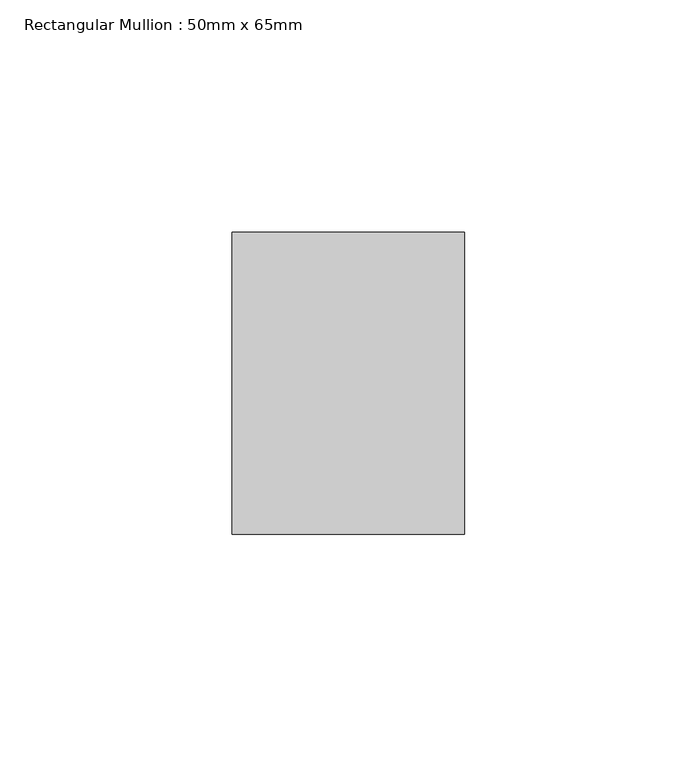
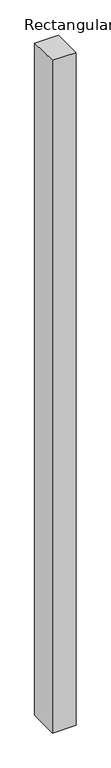
"""IFC4 building model written with IfcOpenShell, lengths in millimetres: member geometry, Rectangular Mullion : 50mm x 65mm."""

from ifc_helpers import new_model, si_unit, origin, place, context, project, spatial, faceted_brep, source, transform, mapped, element, save


def rectangular_mullion_50mm_x_65mm_744c925f(model_context):
    return source(origin(), model_context, "Body", "Brep", [
        faceted_brep([(-25.0, 32.5, -0.3536706), (25.0, 32.5, -0.3536713), (25.0, 32.5, -1499.5478433), (-25.0, 32.5, -1499.5478442), (-25.0, -32.5, 0.3536713), (-25.0, -32.5, -1500.4514747), (25.0, -32.5, 0.3536706), (25.0, -32.5, -1500.4514738)], [[[0, 1, 2, 3]], [[4, 0, 3, 5]], [[6, 4, 5, 7]], [[1, 6, 7, 2]], [[1, 0, 4, 6]], [[2, 7, 5, 3]]]),
    ])


if __name__ == "__main__":
    model = new_model("IFC4")
    model_context = context("Model", 3, world=origin())
    ifc_project = project(units=[si_unit("LENGTHUNIT", "METRE", prefix="MILLI")], contexts=[model_context])
    site = spatial("IfcSite", under=ifc_project)
    building = spatial("IfcBuilding", under=site)
    placement = place(None, origin())
    rectangular_mullion_50mm_x_65mm_shape = rectangular_mullion_50mm_x_65mm_744c925f(model_context)
    element("IfcMember", 1, ObjectType="Rectangular Mullion : 50mm x 65mm", at=placement, inside=building, context=model_context, shape_type="MappedRepresentation", body=[
        mapped(rectangular_mullion_50mm_x_65mm_shape, transform((0.0, 0.0, 0.0), x_axis=(1.0, 0.0, 0.0), y_axis=(0.0, 1.0, 0.0), z_axis=(0.0, 0.0, 1.0))),
    ])
    save(model, "model.ifc")
